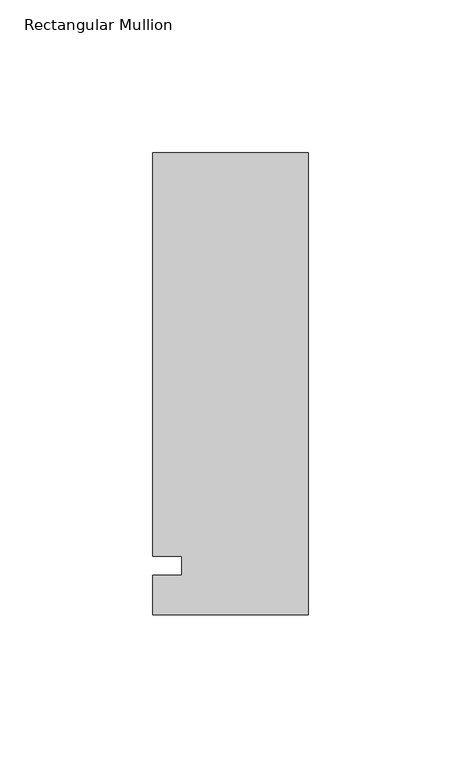
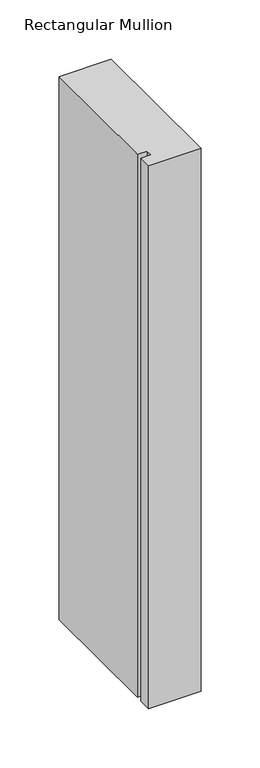
"""IFC4 building model written with IfcOpenShell, lengths in millimetres: member geometry, Rectangular Mullion."""

from ifc_helpers import new_model, si_unit, frame, origin, place, context, project, spatial, polyline, outline, extrude, source, transform, mapped, element, save


def rectangular_mullion_4e387441(model_context):
    return source(origin(), model_context, "Body", "SweptSolid", [
        extrude(outline(polyline([(-50.8, -25.5984375), (-50.8, -12.7), (-41.275, -12.7), (-41.275, -6.35), (-50.8, -6.35), (-50.8, 125.6109375), (0.0, 125.6109375), (0.0, -25.5984375), (-50.8, -25.5984375)])), frame((0.0, 0.0, -558.8), z_axis=(0.0, 0.0, 1.0), x_axis=(1.0, 0.0, 0.0)), (0.0, 0.0, 1.0), 558.8),
    ])


if __name__ == "__main__":
    model = new_model("IFC4")
    model_context = context("Model", 3, world=origin())
    ifc_project = project(units=[si_unit("LENGTHUNIT", "METRE", prefix="MILLI")], contexts=[model_context])
    site = spatial("IfcSite", under=ifc_project)
    building = spatial("IfcBuilding", under=site)
    placement = place(None, origin())
    rectangular_mullion_shape = rectangular_mullion_4e387441(model_context)
    element("IfcMember", 1, ObjectType="Rectangular Mullion", at=placement, inside=building, context=model_context, shape_type="MappedRepresentation", body=[
        mapped(rectangular_mullion_shape, transform((0.0, 0.0, 0.0), x_axis=(1.0, 0.0, 0.0), y_axis=(0.0, 1.0, 0.0), z_axis=(0.0, 0.0, 1.0))),
    ])
    save(model, "model.ifc")
